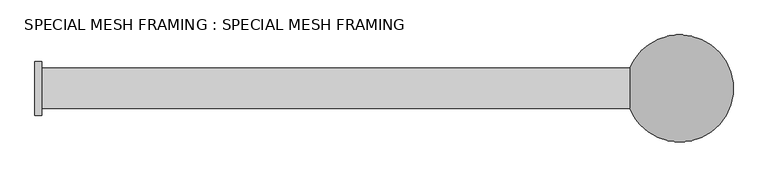
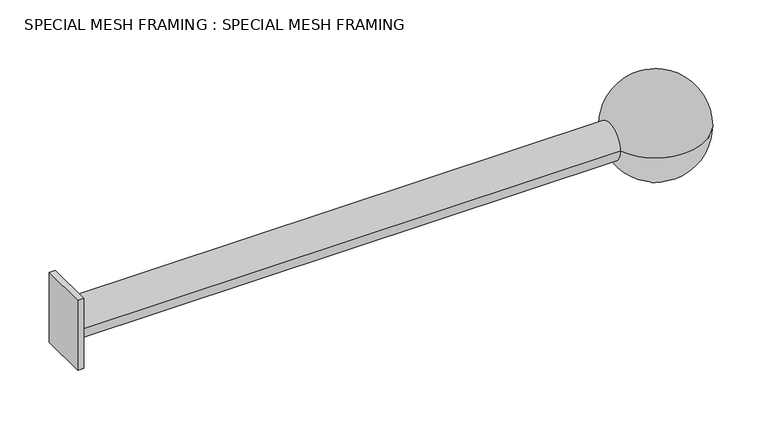
"""IFC4 building model written with IfcOpenShell, lengths in millimetres: beam geometry, SPECIAL MESH FRAMING : SPECIAL MESH FRAMING."""

from ifc_helpers import new_model, si_unit, point, frame, origin, place, context, project, spatial, circle_curve, ellipse_curve, trimmed, source, transform, mapped, element, save
from ifc_brep_helpers import plane_surface, cylinder_surface, revolved_surface, advanced_brep


def special_mesh_framing_special_mesh_framing_0507d08f(model_context):
    return source(origin(), model_context, "Body", "AdvancedBrep", [
        advanced_brep(
        [(-1219.2, -101.6, 152.4), (-1219.2, 101.6, 152.4), (-1219.2, 101.6, -152.4), (-1219.2, -101.6, -152.4), (-1193.8, -76.2, 0.0), (-1193.8, 76.2, 0.0), (1030.8285584, 76.2, 0.0), (1030.8285584, -76.2, 0.0), (-1193.8, 101.6, 152.4), (-1193.8, -101.6, 152.4), (-1193.8, 101.6, -152.4), (-1193.8, -101.6, -152.4), (1219.2, 203.2, 0.0), (1219.2, -203.2, 0.0)],
        [
            (0, 1),
            (1, 2),
            (2, 3),
            (3, 0),
            (4, 5, circle_curve(frame((-1193.8, 0.0, 0.0), z_axis=(1.0, 0.0, 0.0), x_axis=(0.0, 1.0, 0.0)), 76.2)),
            (5, 6),
            (6, 7, circle_curve(frame((1030.8285584, 0.0, 0.0), z_axis=(-1.0, 0.0, 0.0), x_axis=(0.0, 1.0, 0.0)), 76.2)),
            (7, 4),
            (5, 4, circle_curve(frame((-1193.8, 0.0, 0.0), z_axis=(1.0, 0.0, 0.0), x_axis=(0.0, 1.0, 0.0)), 76.2)),
            (7, 6, circle_curve(frame((1030.8285584, 0.0, 0.0), z_axis=(-1.0, 0.0, 0.0), x_axis=(0.0, 1.0, 0.0)), 76.2)),
            (8, 1),
            (0, 9),
            (9, 8),
            (10, 11),
            (11, 3),
            (2, 10),
            (8, 10),
            (11, 9),
            (12, 13, circle_curve(frame((1219.2, 0.0, 0.0), z_axis=(0.0, 0.0, -1.0), x_axis=(1.0, 0.0, 0.0)), 203.2)),
            (13, 7, circle_curve(frame((1219.2, 0.0, 0.0), z_axis=(0.0, 0.0, -1.0), x_axis=(-1.0, 0.0, 0.0)), 203.2)),
            (6, 12, circle_curve(frame((1219.2, 0.0, 0.0), z_axis=(0.0, 0.0, -1.0), x_axis=(-1.0, 0.0, 0.0)), 203.2)),
        ],
        [
            plane_surface(frame((-1219.2, 76.2, 0.0), z_axis=(-1.0, 0.0, 0.0), x_axis=(0.0, 0.0, -1.0))),
            cylinder_surface(frame((-1219.2, 0.0, 0.0), z_axis=(1.0, 0.0, 0.0), x_axis=(0.0, 1.0, 0.0)), 76.2),
            plane_surface(frame((-1219.2, 101.6, 152.4), z_axis=(0.0, 0.0, 1.0), x_axis=(-1.0, 0.0, 0.0))),
            plane_surface(frame((-1219.2, 101.6, -152.4), z_axis=(0.0, 0.0, -1.0), x_axis=(1.0, 0.0, 0.0))),
            plane_surface(frame((-1193.8, 101.6, 152.4), z_axis=(0.0, 1.0, 0.0), x_axis=(0.0, 0.0, -1.0))),
            plane_surface(frame((-1219.2, -101.6, 152.4), z_axis=(0.0, -1.0, 0.0), x_axis=(0.0, 0.0, -1.0))),
            plane_surface(frame((-1193.8, -101.6, 152.4), z_axis=(1.0, 0.0, 0.0), x_axis=(0.0, 0.0, -1.0))),
            revolved_surface(trimmed(ellipse_curve(frame((1219.2, 0.0, 0.0), z_axis=(0.0, 0.0, 1.0), x_axis=(1.0, 0.0, 0.0)), 203.2, 203.2), [point((1219.2, -203.2, 0.0))], [point((1219.2, 203.2, 0.0))], True, "CARTESIAN"), (1219.2, 209.55, 0.0), (0.0, 1.0, 0.0)),
        ],
        [
            (0, [[1, 2, 3, 4]]),
            (1, [[5, 6, 7, 8]]),
            (1, [[9, -8, 10, -6]]),
            (2, [[11, -1, 12, 13]]),
            (3, [[14, 15, -3, 16]]),
            (4, [[-11, 17, -16, -2]]),
            (5, [[-12, -4, -15, 18]]),
            (6, [[-13, -18, -14, -17], [-5, -9]]),
            (7, [[19, 20, -7, 21]]),
            (7, [[-19, -21, -10, -20]]),
        ],
    ),
    ])


if __name__ == "__main__":
    model = new_model("IFC4")
    model_context = context("Model", 3, world=origin())
    ifc_project = project(units=[si_unit("LENGTHUNIT", "METRE", prefix="MILLI")], contexts=[model_context])
    site = spatial("IfcSite", under=ifc_project)
    building = spatial("IfcBuilding", under=site)
    placement = place(None, origin())
    special_mesh_framing_special_mesh_framing_shape = special_mesh_framing_special_mesh_framing_0507d08f(model_context)
    element("IfcBeam", 1, ObjectType="SPECIAL MESH FRAMING : SPECIAL MESH FRAMING", at=placement, inside=building, context=model_context, shape_type="MappedRepresentation", body=[
        mapped(special_mesh_framing_special_mesh_framing_shape, transform((0.0, 0.0, 0.0), x_axis=(1.0, 0.0, 0.0), y_axis=(0.0, 1.0, 0.0), z_axis=(0.0, 0.0, 1.0))),
    ])
    save(model, "model.ifc")
